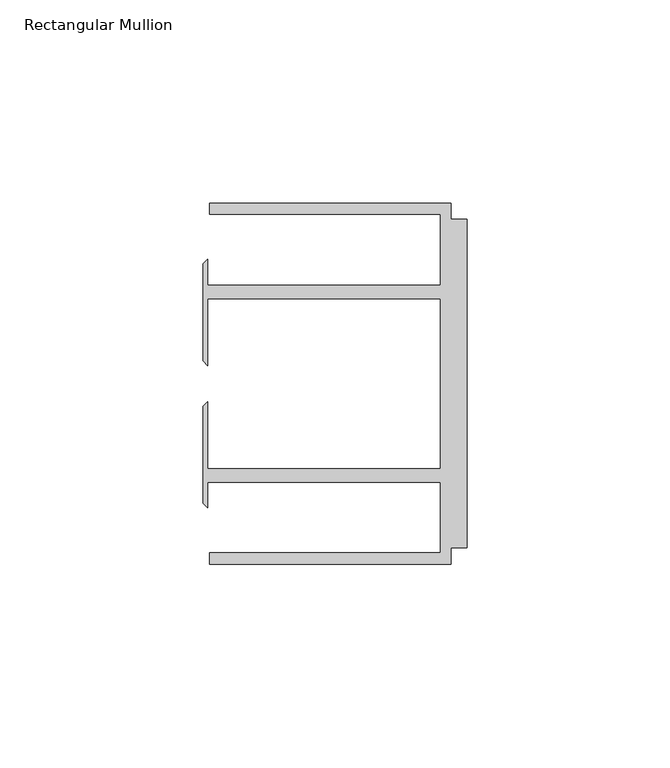
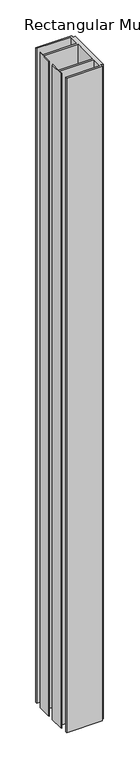
"""IFC4 building model written with IfcOpenShell, lengths in millimetres: member geometry, Rectangular Mullion."""

from ifc_helpers import new_model, si_unit, frame, origin, place, context, project, spatial, polyline, outline, extrude, source, transform, mapped, element, save


def rectangular_mullion_ef2737dd(model_context):
    return source(origin(), model_context, "Body", "SweptSolid", [
        extrude(outline(polyline([(-4.0000001, 44.45), (-4.0000001, 40.4500013), (0.0, 40.4500013), (0.0, -40.4500013), (-4.0000001, -40.4500013), (-4.0000001, -44.45), (-63.5, -44.45), (-63.5, -41.6500013), (-6.6000002, -41.6500013), (-6.6000002, -24.2500008), (-63.9424102, -24.2500008), (-63.9424102, -30.6159585), (-65.0875, -29.4708687), (-65.0875, -5.5846059), (-63.9424102, -4.4395161), (-63.9424102, -20.9500007), (-6.6000002, -20.9500007), (-6.6000002, 20.9500007), (-63.9424102, 20.9500007), (-63.9424102, 4.4395161), (-65.0875, 5.5846059), (-65.0875, 29.4708687), (-63.9424102, 30.6159585), (-63.9424102, 24.2500008), (-6.6000002, 24.2500008), (-6.6000002, 41.6500013), (-63.5, 41.6500013), (-63.5, 44.45), (-4.0000001, 44.45)])), frame((0.0, 0.0, -1154.1125), z_axis=(0.0, 0.0, 1.0), x_axis=(1.0, 0.0, 0.0)), (0.0, 0.0, 1.0), 1154.1125),
    ])


if __name__ == "__main__":
    model = new_model("IFC4")
    model_context = context("Model", 3, world=origin())
    ifc_project = project(units=[si_unit("LENGTHUNIT", "METRE", prefix="MILLI")], contexts=[model_context])
    site = spatial("IfcSite", under=ifc_project)
    building = spatial("IfcBuilding", under=site)
    placement = place(None, origin())
    rectangular_mullion_shape = rectangular_mullion_ef2737dd(model_context)
    element("IfcMember", 1, ObjectType="Rectangular Mullion", at=placement, inside=building, context=model_context, shape_type="MappedRepresentation", body=[
        mapped(rectangular_mullion_shape, transform((0.0, 0.0, 0.0), x_axis=(1.0, 0.0, 0.0), y_axis=(0.0, 1.0, 0.0), z_axis=(0.0, 0.0, 1.0))),
    ])
    save(model, "model.ifc")
